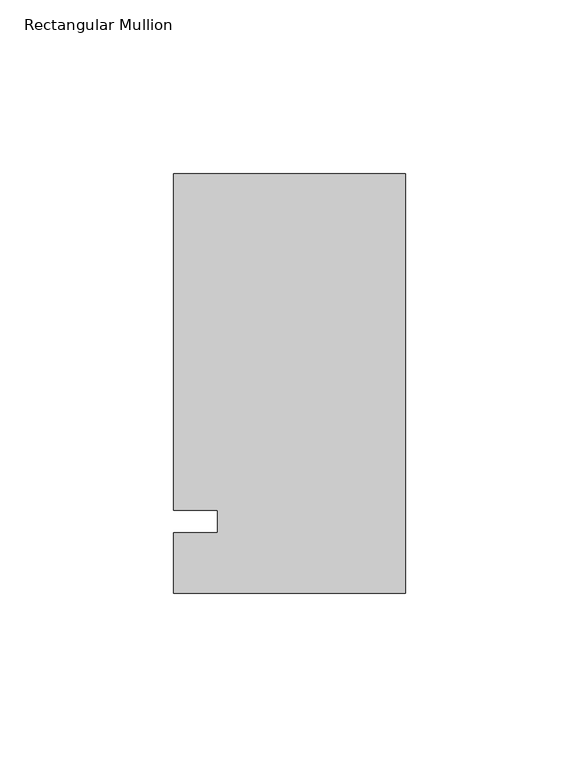
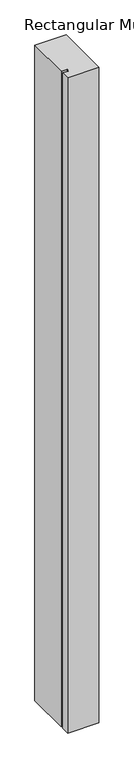
"""IFC4 building model written with IfcOpenShell, lengths in millimetres: member geometry, Rectangular Mullion."""

from ifc_helpers import new_model, si_unit, frame, origin, place, context, project, spatial, polyline, outline, extrude, source, transform, mapped, element, save


def rectangular_mullion_f7d8d71f(model_context):
    return source(origin(), model_context, "Body", "SweptSolid", [
        extrude(outline(polyline([(-66.675, 100.0125), (0.0, 100.0125), (0.0, -20.6375), (-66.675, -20.6375), (-66.675, -3.175), (-53.9732296, -3.175), (-53.9732296, 3.175), (-66.675, 3.175), (-66.675, 100.0125)])), frame((0.0, 0.0, -1478.28), z_axis=(0.0, 0.0, 1.0), x_axis=(1.0, 0.0, 0.0)), (0.0, 0.0, 1.0), 1478.28),
    ])


if __name__ == "__main__":
    model = new_model("IFC4")
    model_context = context("Model", 3, world=origin())
    ifc_project = project(units=[si_unit("LENGTHUNIT", "METRE", prefix="MILLI")], contexts=[model_context])
    site = spatial("IfcSite", under=ifc_project)
    building = spatial("IfcBuilding", under=site)
    placement = place(None, origin())
    rectangular_mullion_shape = rectangular_mullion_f7d8d71f(model_context)
    element("IfcMember", 1, ObjectType="Rectangular Mullion", at=placement, inside=building, context=model_context, shape_type="MappedRepresentation", body=[
        mapped(rectangular_mullion_shape, transform((0.0, 0.0, 0.0), x_axis=(1.0, 0.0, 0.0), y_axis=(0.0, 1.0, 0.0), z_axis=(0.0, 0.0, 1.0))),
    ])
    save(model, "model.ifc")
